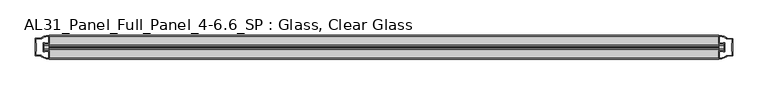
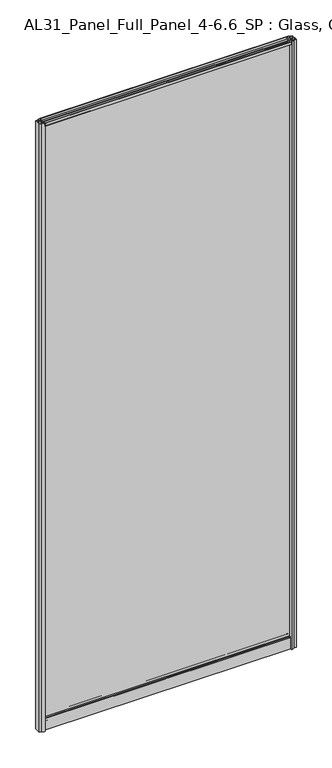
"""IFC4 building model written with IfcOpenShell, lengths in millimetres: plate geometry, AL31_Panel_Full_Panel_4-6.6_SP : Glass, Clear Glass."""

from ifc_helpers import new_model, si_unit, point, frame, frame_2d, origin, origin_with_axes, place, context, project, spatial, polyline, circle_curve, trimmed, segment, composite_curve, outline, extrude, source, transform, mapped, element, save


def al31_panel_full_panel_4_6_6_sp_glass_clear_glass_d07b71e8(model_context):
    return source(origin(), model_context, "Body", "SweptSolid", [
        extrude(outline(composite_curve([segment(polyline([(-1.4, 2468.8980762), (-0.85, 2467.9454483)]), True, "CONTINUOUS"), segment(trimmed(circle_curve(frame_2d((0.1, 2466.3)), 1.9), [point((-0.85, 2467.9454483))], [point((1.05, 2467.9454483))], True, "CARTESIAN"), True, "CONTINUOUS"), segment(polyline([(1.05, 2467.9454483), (1.6, 2468.8980762)]), True, "CONTINUOUS"), segment(trimmed(circle_curve(frame_2d((0.1, 2466.3)), 3.0), [point((1.6, 2468.8980762))], [point((2.5718414, 2464.6))], False, "CARTESIAN"), True, "CONTINUOUS"), segment(polyline([(2.5718414, 2464.6), (15.7, 2464.6), (15.7, 2474.0), (17.0, 2474.0), (17.0, 2463.5), (6.7024688, 2463.5), (6.7024688, 2462.7), (6.1968782, 2460.7785039), (6.1968782, 2456.1), (5.0, 2456.1), (5.0, 2461.4339746), (5.5, 2462.3), (5.5, 2463.5), (-5.5, 2463.5), (-5.5, 2462.3), (-5.0, 2461.4339746), (-5.0, 2456.1), (-6.1968782, 2456.1), (-6.1968782, 2460.7785039), (-6.7024688, 2462.7), (-6.7024688, 2463.5), (-17.0, 2463.5), (-17.0, 2474.0), (-15.7, 2474.0), (-15.7, 2464.6), (-2.3718414, 2464.6)]), True, "CONTINUOUS"), segment(trimmed(circle_curve(frame_2d((0.1, 2466.3)), 3.0), [point((-2.3718414, 2464.6))], [point((-1.4, 2468.8980762))], False, "CARTESIAN"), True, "CONTINUOUS")], self_intersect=False)), frame((-475.0, 0.0, 0.0), z_axis=(1.0, 0.0, 0.0), x_axis=(0.0, 1.0, 0.0)), (0.0, 0.0, 1.0), 950.0),
        extrude(outline(composite_curve([segment(polyline([(-482.8414214, -5.9), (-481.6414214, -5.9), (-481.6414214, -5.0), (-475.0, -5.0), (-475.0, -17.0001453)]), True, "CONTINUOUS"), segment(trimmed(circle_curve(frame_2d((-474.6353484, 2.9965302)), 20.0), [point((-475.0, -17.0001453))], [point((-486.3558352, -13.2093388))], False, "CARTESIAN"), True, "CONTINUOUS"), segment(polyline([(-486.3558352, -13.2093388), (-486.3558352, -12.3279343), (-495.0, -12.3279343), (-495.0, 12.3720657), (-486.3558352, 12.3720657), (-486.3558352, 13.2095249)]), True, "CONTINUOUS"), segment(trimmed(circle_curve(frame_2d((-474.6353484, -2.9963441)), 20.0), [point((-486.3558352, 13.2095249))], [point((-475.0, 17.0003314))], False, "CARTESIAN"), True, "CONTINUOUS"), segment(polyline([(-475.0, 17.0003314), (-475.0, 5.0), (-481.6414214, 5.0), (-481.6414214, 5.9), (-482.8414214, 5.9), (-482.8414214, -5.9)]), True, "CONTINUOUS")], self_intersect=False), holes=[composite_curve([segment(trimmed(circle_curve(frame_2d((-481.8414214, 5.7)), 1.5), [point((-481.8414214, 7.2))], [point((-480.4861671, 6.3428731))], False, "CARTESIAN"), True, "CONTINUOUS"), segment(polyline([(-480.4861671, 6.3428731), (-476.7414214, 6.3428731), (-476.7414214, 10.939223), (-476.3020815, 11.9998832), (-476.3020815, 15.6499817)]), True, "CONTINUOUS"), segment(trimmed(circle_curve(frame_2d((-474.6353484, -2.9755921)), 18.7), [point((-476.3020815, 15.6499817))], [point((-484.6421262, 12.8216987))], True, "CARTESIAN"), True, "CONTINUOUS"), segment(trimmed(circle_curve(frame_2d((-486.4414214, 12.8720657)), 1.8), [point((-484.6421262, 12.8216987))], [point((-486.4414214, 11.0720657))], False, "CARTESIAN"), True, "CONTINUOUS"), segment(polyline([(-486.4414214, 11.0720657), (-493.5828427, 11.0720657), (-493.5828427, 6.5019606), (-493.1414214, 5.439223), (-493.1414214, -5.3950916), (-493.6414214, -6.3879987), (-493.6414214, -11.0279343), (-486.4414214, -11.0279343)]), True, "CONTINUOUS"), segment(trimmed(circle_curve(frame_2d((-486.4414214, -12.8279343)), 1.8), [point((-486.4414214, -11.0279343))], [point((-484.6421262, -12.7775673))], False, "CARTESIAN"), True, "CONTINUOUS"), segment(trimmed(circle_curve(frame_2d((-474.6353484, 3.0197235)), 18.7), [point((-484.6421262, -12.7775673))], [point((-476.3020815, -15.6058503))], True, "CARTESIAN"), True, "CONTINUOUS"), segment(polyline([(-476.3020815, -15.6058503), (-476.3020815, -11.9557518), (-476.7414214, -10.8950916), (-476.7414214, -6.2991308), (-480.4662696, -6.2991308)]), True, "CONTINUOUS"), segment(trimmed(circle_curve(frame_2d((-481.8414214, -5.7)), 1.5), [point((-480.4662696, -6.2991308))], [point((-481.8414214, -7.2))], False, "CARTESIAN"), True, "CONTINUOUS"), segment(polyline([(-481.8414214, -7.2), (-484.1414214, -7.2), (-484.1414214, 7.2), (-481.8414214, 7.2)]), True, "CONTINUOUS")], self_intersect=False)]), origin_with_axes(), (0.0, 0.0, 1.0), 2474.0),
        extrude(outline(composite_curve([segment(polyline([(482.8414214, 5.9), (481.6414214, 5.9), (481.6414214, 5.0), (475.0, 5.0), (475.0, 17.0001453)]), True, "CONTINUOUS"), segment(trimmed(circle_curve(frame_2d((474.6353484, -2.9965302)), 20.0), [point((475.0, 17.0001453))], [point((486.3558352, 13.2093388))], False, "CARTESIAN"), True, "CONTINUOUS"), segment(polyline([(486.3558352, 13.2093388), (486.3558352, 12.3279343), (495.0, 12.3279343), (495.0, -12.3720657), (486.3558352, -12.3720657), (486.3558352, -13.2095249)]), True, "CONTINUOUS"), segment(trimmed(circle_curve(frame_2d((474.6353484, 2.9963441)), 20.0), [point((486.3558352, -13.2095249))], [point((475.0, -17.0003314))], False, "CARTESIAN"), True, "CONTINUOUS"), segment(polyline([(475.0, -17.0003314), (475.0, -5.0), (481.6414214, -5.0), (481.6414214, -5.9), (482.8414214, -5.9), (482.8414214, 5.9)]), True, "CONTINUOUS")], self_intersect=False), holes=[composite_curve([segment(trimmed(circle_curve(frame_2d((481.8414214, -5.7)), 1.5), [point((481.8414214, -7.2))], [point((480.4861671, -6.3428731))], False, "CARTESIAN"), True, "CONTINUOUS"), segment(polyline([(480.4861671, -6.3428731), (476.7414214, -6.3428731), (476.7414214, -10.939223), (476.3020815, -11.9998832), (476.3020815, -15.6499817)]), True, "CONTINUOUS"), segment(trimmed(circle_curve(frame_2d((474.6353484, 2.9755921)), 18.7), [point((476.3020815, -15.6499817))], [point((484.6421262, -12.8216987))], True, "CARTESIAN"), True, "CONTINUOUS"), segment(trimmed(circle_curve(frame_2d((486.4414214, -12.8720657)), 1.8), [point((484.6421262, -12.8216987))], [point((486.4414214, -11.0720657))], False, "CARTESIAN"), True, "CONTINUOUS"), segment(polyline([(486.4414214, -11.0720657), (493.5828427, -11.0720657), (493.5828427, -6.5019606), (493.1414214, -5.439223), (493.1414214, 5.3950916), (493.6414214, 6.3879987), (493.6414214, 11.0279343), (486.4414214, 11.0279343)]), True, "CONTINUOUS"), segment(trimmed(circle_curve(frame_2d((486.4414214, 12.8279343)), 1.8), [point((486.4414214, 11.0279343))], [point((484.6421262, 12.7775673))], False, "CARTESIAN"), True, "CONTINUOUS"), segment(trimmed(circle_curve(frame_2d((474.6353484, -3.0197235)), 18.7), [point((484.6421262, 12.7775673))], [point((476.3020815, 15.6058503))], True, "CARTESIAN"), True, "CONTINUOUS"), segment(polyline([(476.3020815, 15.6058503), (476.3020815, 11.9557518), (476.7414214, 10.8950916), (476.7414214, 6.2991308), (480.4662696, 6.2991308)]), True, "CONTINUOUS"), segment(trimmed(circle_curve(frame_2d((481.8414214, 5.7)), 1.5), [point((480.4662696, 6.2991308))], [point((481.8414214, 7.2))], False, "CARTESIAN"), True, "CONTINUOUS"), segment(polyline([(481.8414214, 7.2), (484.1414214, 7.2), (484.1414214, -7.2), (481.8414214, -7.2)]), True, "CONTINUOUS")], self_intersect=False)]), origin_with_axes(), (0.0, 0.0, 1.0), 2474.0),
        extrude(outline(composite_curve([segment(trimmed(circle_curve(frame_2d((-8.4, 34.8)), 1.0), [point((-8.4, 35.8))], [point((-9.4, 34.8))], True, "CARTESIAN"), True, "CONTINUOUS"), segment(polyline([(-9.4, 34.8), (-9.4, 33.5), (-5.0000303, 33.5), (-5.0000303, 32.3), (-9.4, 32.3), (-9.4, 0.0), (-10.6, 0.0), (-10.6, 47.3)]), True, "CONTINUOUS"), segment(trimmed(circle_curve(frame_2d((-8.6, 47.3)), 2.0), [point((-10.6, 47.3))], [point((-8.6, 49.3))], False, "CARTESIAN"), True, "CONTINUOUS"), segment(polyline([(-8.6, 49.3), (-5.0, 49.3), (-5.0, 41.9), (5.0, 41.9), (5.0, 49.3), (8.6, 49.3)]), True, "CONTINUOUS"), segment(trimmed(circle_curve(frame_2d((8.6, 47.3)), 2.0), [point((8.6, 49.3))], [point((10.6, 47.3))], False, "CARTESIAN"), True, "CONTINUOUS"), segment(polyline([(10.6, 47.3), (10.6, 0.0), (9.4, 0.0), (9.4, 32.3), (4.9999697, 32.3), (4.9999697, 33.5), (9.4, 33.5), (9.4, 34.8)]), True, "CONTINUOUS"), segment(trimmed(circle_curve(frame_2d((8.4, 34.8)), 1.0), [point((9.4, 34.8))], [point((8.4, 35.8))], True, "CARTESIAN"), True, "CONTINUOUS"), segment(polyline([(8.4, 35.8), (-8.4, 35.8)]), True, "CONTINUOUS")], self_intersect=False), holes=[composite_curve([segment(trimmed(circle_curve(frame_2d((5.5024688, 41.8)), 1.0), [point((6.5024688, 41.8))], [point((5.5024688, 40.8))], False, "CARTESIAN"), True, "CONTINUOUS"), segment(polyline([(5.5024688, 40.8), (2.8008965, 40.8), (2.8008965, 39.7274194), (1.8370508, 39.7274194)]), True, "CONTINUOUS"), segment(trimmed(circle_curve(frame_2d((0.0, 38.7)), 2.1048387), [point((1.8370508, 39.7274194))], [point((-1.8370508, 39.7274194))], True, "CARTESIAN"), True, "CONTINUOUS"), segment(polyline([(-1.8370508, 39.7274194), (-2.8008965, 39.7274194), (-2.8008965, 40.8), (-5.5024688, 40.8)]), True, "CONTINUOUS"), segment(trimmed(circle_curve(frame_2d((-5.5024688, 41.8)), 1.0), [point((-5.5024688, 40.8))], [point((-6.5024688, 41.8))], False, "CARTESIAN"), True, "CONTINUOUS"), segment(polyline([(-6.5024688, 41.8), (-6.5024688, 42.7)]), True, "CONTINUOUS"), segment(trimmed(circle_curve(frame_2d((-5.3024688, 42.7)), 1.2), [point((-6.5024688, 42.7))], [point((-6.1198184, 43.5786009))], False, "CARTESIAN"), True, "CONTINUOUS"), segment(polyline([(-6.1198184, 43.5786009), (-6.1198184, 48.2), (-8.4, 48.2)]), True, "CONTINUOUS"), segment(trimmed(circle_curve(frame_2d((-8.4, 47.2)), 1.0), [point((-8.4, 48.2))], [point((-9.4, 47.2))], True, "CARTESIAN"), True, "CONTINUOUS"), segment(polyline([(-9.4, 47.2), (-9.4, 37.04), (-2.8008965, 37.04), (-2.8008965, 38.0725806), (-1.8370508, 38.0725806)]), True, "CONTINUOUS"), segment(trimmed(circle_curve(frame_2d((0.0, 39.1)), 2.1048387), [point((-1.8370508, 38.0725806))], [point((1.8370508, 38.0725806))], True, "CARTESIAN"), True, "CONTINUOUS"), segment(polyline([(1.8370508, 38.0725806), (2.8008965, 38.0725806), (2.8008965, 37.04), (9.4, 37.04), (9.4, 47.2)]), True, "CONTINUOUS"), segment(trimmed(circle_curve(frame_2d((8.4, 47.2)), 1.0), [point((9.4, 47.2))], [point((8.4, 48.2))], True, "CARTESIAN"), True, "CONTINUOUS"), segment(polyline([(8.4, 48.2), (6.1198184, 48.2), (6.1198184, 43.7786009)]), True, "CONTINUOUS"), segment(trimmed(circle_curve(frame_2d((5.3024688, 42.9)), 1.2), [point((6.1198184, 43.7786009))], [point((6.5024688, 42.9))], False, "CARTESIAN"), True, "CONTINUOUS"), segment(polyline([(6.5024688, 42.9), (6.5024688, 41.8)]), True, "CONTINUOUS")], self_intersect=False)]), frame((-475.0, 0.0, 0.0), z_axis=(1.0, 0.0, 0.0), x_axis=(0.0, 1.0, 0.0)), (0.0, 0.0, 1.0), 950.0),
        extrude(outline(polyline([(482.8414214, 2.0), (482.8414214, -2.0), (-482.8414214, -2.0), (-482.8414214, 2.0), (482.8414214, 2.0)])), frame((0.0, 0.0, 41.9), z_axis=(0.0, 0.0, 1.0), x_axis=(1.0, 0.0, 0.0)), (0.0, 0.0, 1.0), 2421.6),
    ])


if __name__ == "__main__":
    model = new_model("IFC4")
    model_context = context("Model", 3, world=origin())
    ifc_project = project(units=[si_unit("LENGTHUNIT", "METRE", prefix="MILLI")], contexts=[model_context])
    site = spatial("IfcSite", under=ifc_project)
    building = spatial("IfcBuilding", under=site)
    placement = place(None, origin())
    al31_panel_full_panel_4_6_6_sp_glass_clear_glass_shape = al31_panel_full_panel_4_6_6_sp_glass_clear_glass_d07b71e8(model_context)
    element("IfcPlate", 1, ObjectType="AL31_Panel_Full_Panel_4-6.6_SP : Glass, Clear Glass", at=placement, inside=building, context=model_context, shape_type="MappedRepresentation", body=[
        mapped(al31_panel_full_panel_4_6_6_sp_glass_clear_glass_shape, transform((0.0, 0.0, 0.0), x_axis=(1.0, 0.0, 0.0), y_axis=(0.0, 1.0, 0.0), z_axis=(0.0, 0.0, 1.0))),
    ])
    save(model, "model.ifc")
